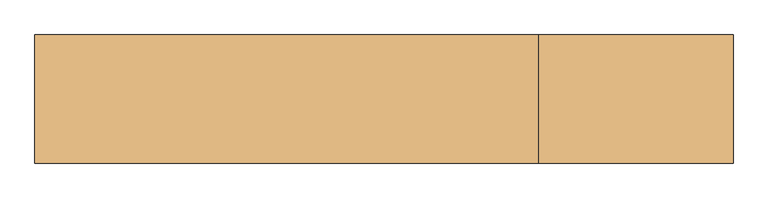
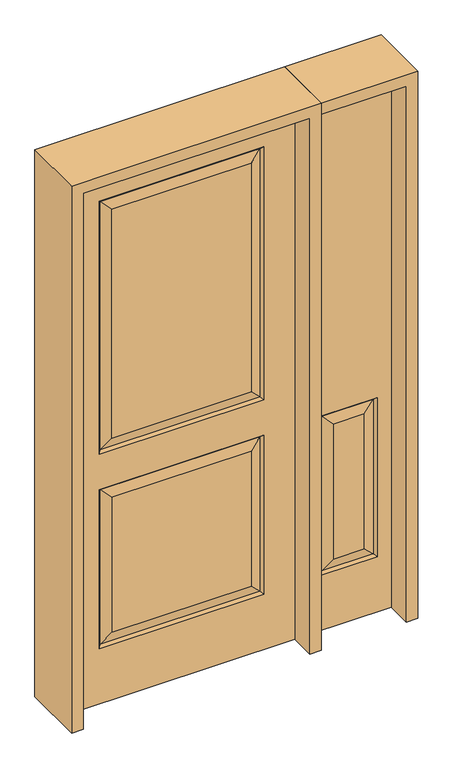
"""IFC4 building model written with IfcOpenShell, lengths in millimetres: door geometry."""

from ifc_helpers import new_model, si_unit, frame, origin, place, context, project, spatial, polyline, outline, extrude, faceted_brep, source, transform, mapped, element, save


def door_5df2ef42(model_context):
    return source(origin(), model_context, "Body", "SolidModel", [
        faceted_brep([(701.675, 20.6375, 209.55), (498.475, 20.6375, 209.55), (507.4552561, 11.6572439, 218.5302561), (692.6947439, 11.6572439, 218.5302561), (692.6947439, -11.6572439, 218.5302561), (692.6947439, -11.6572439, 803.8197439), (655.6375, -20.6375, 766.7625), (655.6375, -20.6375, 255.5875), (752.475, -20.6375, 2032.0), (752.475, 20.6375, 2032.0), (447.675, 20.6375, 2032.0), (447.675, -20.6375, 2032.0), (544.5125, -20.6375, 255.5875), (544.5125, -20.6375, 766.7625), (507.4552561, -11.6572439, 803.8197439), (507.4552561, -11.6572439, 218.5302561), (752.475, -20.6375, 0.0), (447.675, -20.6375, 0.0), (498.475, -20.6375, 209.55), (498.475, -20.6375, 812.8), (701.675, -20.6375, 812.8), (701.675, -20.6375, 209.55), (447.675, 20.6375, 0.0), (752.475, 20.6375, 0.0), (701.675, 20.6375, 812.8), (498.475, 20.6375, 812.8), (544.5125, 20.6375, 255.5875), (544.5125, 20.6375, 766.7625), (655.6375, 20.6375, 766.7625), (655.6375, 20.6375, 255.5875), (507.4552561, 11.6572439, 803.8197439), (692.6947439, 11.6572439, 803.8197439)], [[[0, 1, 2, 3]], [[4, 5, 6, 7]], [[8, 9, 10, 11]], [[12, 13, 14, 15]], [[16, 8, 11, 17], [18, 19, 20, 21]], [[7, 6, 13, 12]], [[17, 22, 23, 16]], [[11, 10, 22, 17]], [[16, 23, 9, 8]], [[23, 22, 10, 9], [0, 24, 25, 1]], [[26, 27, 28, 29]], [[15, 18, 21, 4]], [[21, 20, 5, 4]], [[20, 19, 14, 5]], [[15, 14, 19, 18]], [[4, 7, 12, 15]], [[5, 14, 13, 6]], [[1, 25, 30, 2]], [[31, 30, 25, 24]], [[3, 31, 24, 0]], [[2, 26, 29, 3]], [[29, 28, 31, 3]], [[28, 27, 30, 31]], [[2, 30, 27, 26]]]),
        faceted_brep([(-286.2947439, -11.6572439, 218.5302561), (-249.2375, -20.6375, 255.5875), (-249.2375, -20.6375, 766.7625), (-286.2947439, -11.6572439, 803.8197439), (406.4, 20.6375, 0.0), (406.4, -20.6375, 0.0), (-406.4, -20.6375, 0.0), (-406.4, 20.6375, 0.0), (406.4, 20.6375, 2032.0), (406.4, -20.6375, 2032.0), (-249.2375, -20.6375, 992.1875), (249.2375, -20.6375, 992.1875), (249.2375, -20.6375, 1858.9625), (-249.2375, -20.6375, 1858.9625), (249.2375, -20.6375, 255.5875), (249.2375, -20.6375, 766.7625), (-406.4, -20.6375, 2032.0), (295.275, -20.6375, 946.15), (-295.275, -20.6375, 946.15), (-295.275, -20.6375, 1905.0), (295.275, -20.6375, 1905.0), (295.275, -20.6375, 209.55), (-295.275, -20.6375, 209.55), (-295.275, -20.6375, 812.8), (295.275, -20.6375, 812.8), (286.2947439, 11.6572439, 803.8197439), (-286.2947439, 11.6572439, 803.8197439), (-295.275, 20.6375, 812.8), (295.275, 20.6375, 812.8), (-286.2947439, 11.6572439, 218.5302561), (-295.275, 20.6375, 209.55), (286.2947439, 11.6572439, 218.5302561), (295.275, 20.6375, 209.55), (286.2947439, -11.6572439, 955.1302561), (-286.2947439, -11.6572439, 955.1302561), (-286.2947439, -11.6572439, 1896.0197439), (286.2947439, -11.6572439, 1896.0197439), (286.2947439, -11.6572439, 803.8197439), (-406.4, 20.6375, 2032.0), (-249.2375, 20.6375, 766.7625), (249.2375, 20.6375, 766.7625), (249.2375, 20.6375, 255.5875), (-249.2375, 20.6375, 255.5875), (-249.2375, 20.6375, 1858.9625), (249.2375, 20.6375, 1858.9625), (249.2375, 20.6375, 992.1875), (-249.2375, 20.6375, 992.1875), (295.275, 20.6375, 1905.0), (-295.275, 20.6375, 1905.0), (-295.275, 20.6375, 946.15), (295.275, 20.6375, 946.15), (-286.2947439, 11.6572439, 1896.0197439), (-286.2947439, 11.6572439, 955.1302561), (286.2947439, 11.6572439, 955.1302561), (286.2947439, 11.6572439, 1896.0197439), (286.2947439, -11.6572439, 218.5302561)], [[[0, 1, 2, 3]], [[4, 5, 6, 7]], [[8, 9, 5, 4]], [[10, 11, 12, 13]], [[1, 14, 15, 2]], [[9, 16, 6, 5], [17, 18, 19, 20], [21, 22, 23, 24]], [[25, 26, 27, 28]], [[27, 26, 29, 30]], [[30, 29, 31, 32]], [[33, 34, 18, 17]], [[18, 34, 35, 19]], [[33, 17, 20, 36]], [[34, 33, 11, 10]], [[23, 3, 37, 24]], [[3, 2, 15, 37]], [[16, 38, 7, 6]], [[39, 40, 41, 42]], [[43, 44, 45, 46]], [[38, 8, 4, 7], [28, 27, 30, 32], [47, 48, 49, 50]], [[48, 51, 52, 49]], [[49, 52, 53, 50]], [[54, 47, 50, 53]], [[44, 54, 53, 45]], [[52, 46, 45, 53]], [[51, 43, 46, 52]], [[25, 28, 32, 31]], [[26, 25, 40, 39]], [[40, 25, 31, 41]], [[29, 42, 41, 31]], [[26, 39, 42, 29]], [[11, 33, 36, 12]], [[34, 10, 13, 35]], [[55, 0, 22, 21]], [[22, 0, 3, 23]], [[55, 21, 24, 37]], [[0, 55, 14, 1]], [[14, 55, 37, 15]], [[8, 38, 16, 9]], [[19, 35, 36, 20]], [[35, 13, 12, 36]], [[54, 51, 48, 47]], [[51, 54, 44, 43]]]),
        extrude(outline(polyline([(2073.275, -447.675), (0.0, -447.675), (0.0, -406.4), (2032.0, -406.4), (2032.0, 406.4), (0.0, 406.4), (0.0, 447.675), (2073.275, 447.675), (2073.275, -447.675)])), frame((0.0, -114.3, 0.0), z_axis=(0.0, 1.0, 0.0), x_axis=(0.0, 0.0, 1.0)), (0.0, 0.0, 1.0), 228.6),
        extrude(outline(polyline([(0.0, 752.475), (0.0, 793.75), (2073.275, 793.75), (2073.275, 447.675), (2032.0, 447.675), (2032.0, 752.475), (0.0, 752.475)])), frame((0.0, -114.3, 0.0), z_axis=(0.0, 1.0, 0.0), x_axis=(0.0, 0.0, 1.0)), (0.0, 0.0, 1.0), 228.6),
    ])


if __name__ == "__main__":
    model = new_model("IFC4")
    model_context = context("Model", 3, world=origin())
    ifc_project = project(units=[si_unit("LENGTHUNIT", "METRE", prefix="MILLI")], contexts=[model_context])
    site = spatial("IfcSite", under=ifc_project)
    building = spatial("IfcBuilding", under=site)
    placement = place(None, origin())
    door_shape = door_5df2ef42(model_context)
    element("IfcDoor", 1, at=placement, inside=building, context=model_context, shape_type="MappedRepresentation", body=[
        mapped(door_shape, transform((0.0, 0.0, 0.0), x_axis=(1.0, 0.0, 0.0), y_axis=(0.0, 1.0, 0.0), z_axis=(0.0, 0.0, 1.0))),
    ])
    save(model, "model.ifc")
